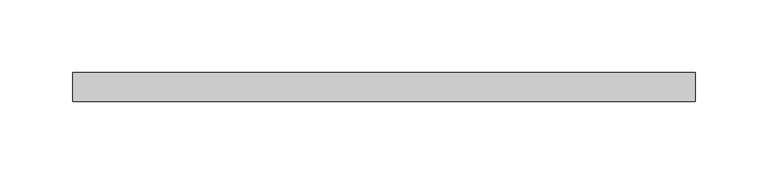
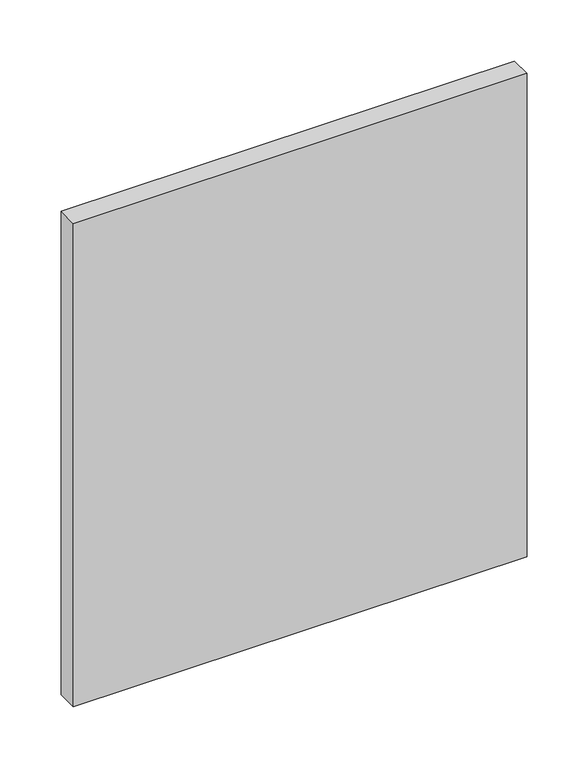
"""IFC4 building model written with IfcOpenShell, lengths in millimetres: plate geometry."""

import ifcopenshell
import ifcopenshell.guid

model = None  # the IFC model being written
_history = None  # IfcOwnerHistory: only IFC2X3 demands one
_inside = {}  # id of a spatial element -> (the spatial element, [elements in it])
_under = {}  # id of a project, library or spatial element -> (it, [spatial elements below it])
_declared = {}  # id of a project -> (the project, [libraries it declares])
_typed = {}  # id of a type object -> (the type object, [elements of that type])
_made_of = {}  # id of a material, layer set ... -> (it, [elements and type objects made of it])


def new_model(schema):
    """Start an empty IFC model of exactly this schema.

    Asked for "IFC4X3", IfcOpenShell would pick the latest addendum, in which some entities
    have other attributes; the version numbers below select the first issue.
    IFC2X3 requires an IfcOwnerHistory on every rooted entity: one is made here for all.
    """
    global model, _history
    if schema == "IFC4X3":
        model = ifcopenshell.file(schema_version=(4, 3, 0, 0))
    else:
        model = ifcopenshell.file(schema=schema)
    _inside.clear()
    _under.clear()
    _declared.clear()
    _typed.clear()
    _made_of.clear()
    _history = None
    if model.schema == "IFC2X3":
        org = make("IfcOrganization", Name="unknown")
        user = make(
            "IfcPersonAndOrganization",
            ThePerson=make("IfcPerson", FamilyName="unknown"),
            TheOrganization=org,
        )
        app = make(
            "IfcApplication",
            ApplicationDeveloper=org,
            Version="unknown",
            ApplicationFullName="unknown",
            ApplicationIdentifier="unknown",
        )
        _history = make(
            "IfcOwnerHistory",
            OwningUser=user,
            OwningApplication=app,
            ChangeAction="ADDED",
            CreationDate=0,
        )
    return model


def make(cls, **values):
    """One entity of the class cls with the attributes given. An attribute that is None is left unset."""
    return model.create_entity(
        cls, **{name: value for name, value in values.items() if value is not None}
    )


def rooted(cls, **values):
    """An entity with a GlobalId (a new one), such as an element, a storey or a relation."""
    return make(cls, GlobalId=ifcopenshell.guid.new(), OwnerHistory=_history, **values)


def si_unit(unit_type, name, prefix=None):
    """IfcSIUnit, for example si_unit("LENGTHUNIT", "METRE", prefix="MILLI")."""
    return make("IfcSIUnit", UnitType=unit_type, Prefix=prefix, Name=name)


def assignment(units):
    """IfcUnitAssignment: the units of a project."""
    return None if units is None else make("IfcUnitAssignment", Units=units)


def point(xyz):
    """IfcCartesianPoint."""
    return None if xyz is None else make("IfcCartesianPoint", Coordinates=xyz)


def direction(xyz):
    """IfcDirection."""
    return None if xyz is None else make("IfcDirection", DirectionRatios=xyz)


def frame(location, z_axis=None, x_axis=None):
    """IfcAxis2Placement3D, a coordinate frame: its origin and axes. An axis left out is left unset."""
    return make(
        "IfcAxis2Placement3D",
        Location=point(location),
        Axis=direction(z_axis),
        RefDirection=direction(x_axis),
    )


def origin():
    """The frame at (0, 0, 0) with its axes left unset."""
    return frame((0.0, 0.0, 0.0))


def origin_with_axes():
    """The frame at (0, 0, 0) with the z axis (0, 0, 1) and the x axis (1, 0, 0) written out."""
    return frame((0.0, 0.0, 0.0), z_axis=(0.0, 0.0, 1.0), x_axis=(1.0, 0.0, 0.0))


def place(relative_to, where):
    """IfcLocalPlacement: puts the frame where relative to a parent placement (None: the world)."""
    return make(
        "IfcLocalPlacement", PlacementRelTo=relative_to, RelativePlacement=where
    )


def context(
    kind, dimensions, precision=None, world=None, true_north=None, identifier=None
):
    """IfcGeometricRepresentationContext, for example the 3D "Model" context."""
    return make(
        "IfcGeometricRepresentationContext",
        ContextIdentifier=identifier,
        ContextType=kind,
        CoordinateSpaceDimension=dimensions,
        Precision=precision,
        WorldCoordinateSystem=world,
        TrueNorth=true_north,
    )


def project(units=None, contexts=None):
    """IfcProject with its units and contexts."""
    return rooted(
        "IfcProject",
        Name="project",
        RepresentationContexts=contexts,
        UnitsInContext=assignment(units),
    )


def spatial(cls, under=None, at=None, **own):
    """A site, building, storey or space (cls), placed at a placement, below another one or the project."""
    s = rooted(cls, ObjectPlacement=at, **own)
    if under is not None:
        _under.setdefault(under.id(), (under, []))[1].append(s)
    return s


def polyline(points):
    """IfcPolyline through the points."""
    return make("IfcPolyline", Points=[point(p) for p in points])


def outline(outer, holes=None, kind="AREA"):
    """IfcArbitraryClosedProfileDef: a profile drawn as a closed curve; with holes, ...WithVoids."""
    if holes is None:
        return make("IfcArbitraryClosedProfileDef", ProfileType=kind, OuterCurve=outer)
    return make(
        "IfcArbitraryProfileDefWithVoids",
        ProfileType=kind,
        OuterCurve=outer,
        InnerCurves=holes,
    )


def extrude(swept, where, along, depth):
    """IfcExtrudedAreaSolid: the profile swept, set in the frame where, extruded along a direction by depth."""
    return make(
        "IfcExtrudedAreaSolid",
        SweptArea=swept,
        Position=where,
        ExtrudedDirection=direction(along),
        Depth=depth,
    )


def shape(context_of_items, identifier, shape_type, items):
    """IfcShapeRepresentation: the items that make up one representation, for example the "Body"."""
    return make(
        "IfcShapeRepresentation",
        ContextOfItems=context_of_items,
        RepresentationIdentifier=identifier,
        RepresentationType=shape_type,
        Items=items,
    )


def source(mapping_origin, context_of_items, identifier, shape_type, items):
    """IfcRepresentationMap: a shape defined once, which mapped items show again and again."""
    return make(
        "IfcRepresentationMap",
        MappingOrigin=mapping_origin,
        MappedRepresentation=shape(context_of_items, identifier, shape_type, items),
    )


def transform(
    local_origin,
    x_axis=None,
    y_axis=None,
    z_axis=None,
    scale=None,
    scale2=None,
    scale3=None,
    uniform=True,
):
    """IfcCartesianTransformationOperator3D, or its non-uniform kind. x_axis, y_axis, z_axis: its Axis1, 2, 3."""
    if uniform:
        return make(
            "IfcCartesianTransformationOperator3D",
            Axis1=direction(x_axis),
            Axis2=direction(y_axis),
            LocalOrigin=point(local_origin),
            Scale=scale,
            Axis3=direction(z_axis),
        )
    return make(
        "IfcCartesianTransformationOperator3DnonUniform",
        Axis1=direction(x_axis),
        Axis2=direction(y_axis),
        LocalOrigin=point(local_origin),
        Scale=scale,
        Axis3=direction(z_axis),
        Scale2=scale2,
        Scale3=scale3,
    )


def mapped(mapping_source, mapping_target):
    """IfcMappedItem: shows the shape of a source again, moved by a transform."""
    return make(
        "IfcMappedItem", MappingSource=mapping_source, MappingTarget=mapping_target
    )


def made_of(thing, what):
    """Note that an element or type object is made of a material, layer set ...; save() writes the relation."""
    if what is not None:
        _made_of.setdefault(what.id(), (what, []))[1].append(thing)
    return thing


def element(
    cls,
    number,
    at=None,
    inside=None,
    cuts=None,
    type_object=None,
    material=None,
    context=None,
    identifier="Body",
    shape_type=None,
    held_by="IfcProductDefinitionShape",
    body=None,
    shapes=None,
    **own,
):
    """One element of the class cls, such as IfcWall. Its Tag is "e" and its number.

    at: its placement. inside: the storey or other place that contains it. cuts: it is an
    opening in that element (IfcRelVoidsElement). A single representation is given by context,
    identifier, shape_type and body (its items); several are given by shapes. held_by: the class
    of the entity that holds the representations. save() writes the other relations.
    """
    e = rooted(cls, Tag="e%d" % number, ObjectPlacement=at, **own)
    if body is not None:
        shapes = [shape(context, identifier, shape_type, body)]
    if shapes is not None:
        e.Representation = make(held_by, Representations=shapes)
    if inside is not None:
        _inside.setdefault(inside.id(), (inside, []))[1].append(e)
    if cuts is not None:
        rooted(
            "IfcRelVoidsElement", RelatingBuildingElement=cuts, RelatedOpeningElement=e
        )
    if type_object is not None:
        _typed.setdefault(type_object.id(), (type_object, []))[1].append(e)
    return made_of(e, material)


def aggregate(whole, parts):
    """IfcRelAggregates: a whole, such as a stair, and the parts it consists of."""
    return rooted("IfcRelAggregates", RelatingObject=whole, RelatedObjects=parts)


def save(model, path):
    """Write the relations noted so far, then the file.

    IfcRelAggregates (storeys below a building ...), IfcRelContainedInSpatialStructure (elements
    in a storey), IfcRelDefinesByType, IfcRelAssociatesMaterial and IfcRelDeclares: one each for
    every whole, place, type object, material and project.
    """
    for whole, parts in _under.values():
        aggregate(whole, parts)
    for where, things in _inside.values():
        rooted(
            "IfcRelContainedInSpatialStructure",
            RelatedElements=things,
            RelatingStructure=where,
        )
    for kind, things in _typed.values():
        rooted("IfcRelDefinesByType", RelatedObjects=things, RelatingType=kind)
    for what, things in _made_of.values():
        rooted("IfcRelAssociatesMaterial", RelatedObjects=things, RelatingMaterial=what)
    for by, libraries in _declared.values():
        rooted("IfcRelDeclares", RelatingContext=by, RelatedDefinitions=libraries)
    model.write(path)


def plate_df00eb1b(model_context):
    return source(origin(), model_context, "Body", "SweptSolid", [
        extrude(outline(polyline([(214.3421053, 70.0), (-214.3421053, 70.0), (-214.3421053, 90.0), (214.3421053, 90.0), (214.3421053, 70.0)])), origin_with_axes(), (0.0, 0.0, 1.0), 482.7375),
    ])


if __name__ == "__main__":
    model = new_model("IFC4")
    model_context = context("Model", 3, world=origin())
    ifc_project = project(units=[si_unit("LENGTHUNIT", "METRE", prefix="MILLI")], contexts=[model_context])
    site = spatial("IfcSite", under=ifc_project)
    building = spatial("IfcBuilding", under=site)
    placement = place(None, origin())
    plate_shape = plate_df00eb1b(model_context)
    element("IfcPlate", 1, at=placement, inside=building, context=model_context, shape_type="MappedRepresentation", body=[
        mapped(plate_shape, transform((0.0, 0.0, 0.0), x_axis=(1.0, 0.0, 0.0), y_axis=(0.0, 1.0, 0.0), z_axis=(0.0, 0.0, 1.0))),
    ])
    save(model, "model.ifc")
